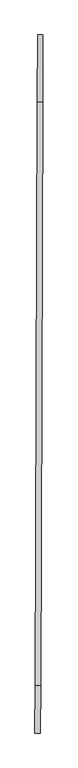
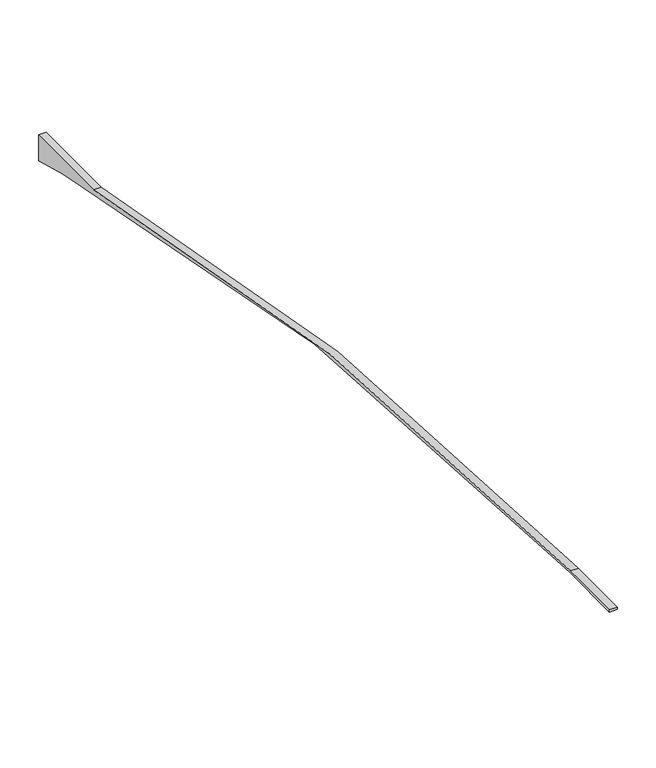
"""IFC4 building model written with IfcOpenShell, lengths in millimetres: proxy geometry."""

from ifc_helpers import new_model, si_unit, point, frame, frame_2d, origin, place, context, project, spatial, polyline, circle_curve, trimmed, segment, composite_curve, outline, extrude, source, transform, mapped, element, save


def generic_models_11a18e63(model_context):
    return source(origin(), model_context, "Body", "SweptSolid", [
        extrude(outline(composite_curve([segment(trimmed(circle_curve(frame_2d((0.0, 76765.6436181)), 76765.6436181), [point((-76765.643618, 76765.6436181))], [point((-74149.9177424, 56897.2330402))], True, "CARTESIAN"), True, "CONTINUOUS"), segment(polyline([(-74149.9177424, 56897.2330402), (-73892.877016, 55937.9439896), (-74510.1813093, 55937.9439896), (-74510.1813093, 58087.421387)]), True, "CONTINUOUS"), segment(trimmed(circle_curve(frame_2d((0.0, 76765.6436181)), 76815.6436181), [point((-74510.1813093, 58087.421387))], [point((-76815.643618, 76765.6436181))], False, "CARTESIAN"), True, "CONTINUOUS"), segment(polyline([(-76815.643618, 76765.6436181), (-76815.643618, 78293.8251547), (-76765.643618, 78293.8251547), (-76765.643618, 76765.6436181)]), True, "CONTINUOUS")], self_intersect=False)), frame((55810.4336006, 178988.5937676, -61863.4897892), z_axis=(-0.9999930004930216, 0.003741519071651765, 0.0), x_axis=(0.0, 0.0, -1.0)), (0.0, 0.0, 1.0), 175.2101853),
    ])


if __name__ == "__main__":
    model = new_model("IFC4")
    model_context = context("Model", 3, world=origin())
    ifc_project = project(units=[si_unit("LENGTHUNIT", "METRE", prefix="MILLI")], contexts=[model_context])
    site = spatial("IfcSite", under=ifc_project)
    building = spatial("IfcBuilding", under=site)
    placement = place(None, origin())
    generic_models_shape = generic_models_11a18e63(model_context)
    element("IfcBuildingElementProxy", 1, Name="Generic Models", at=placement, inside=building, context=model_context, shape_type="MappedRepresentation", body=[
        mapped(generic_models_shape, transform((0.0, 0.0, 0.0), x_axis=(1.0, 0.0, 0.0), y_axis=(0.0, 1.0, 0.0), z_axis=(0.0, 0.0, 1.0))),
    ])
    save(model, "model.ifc")
